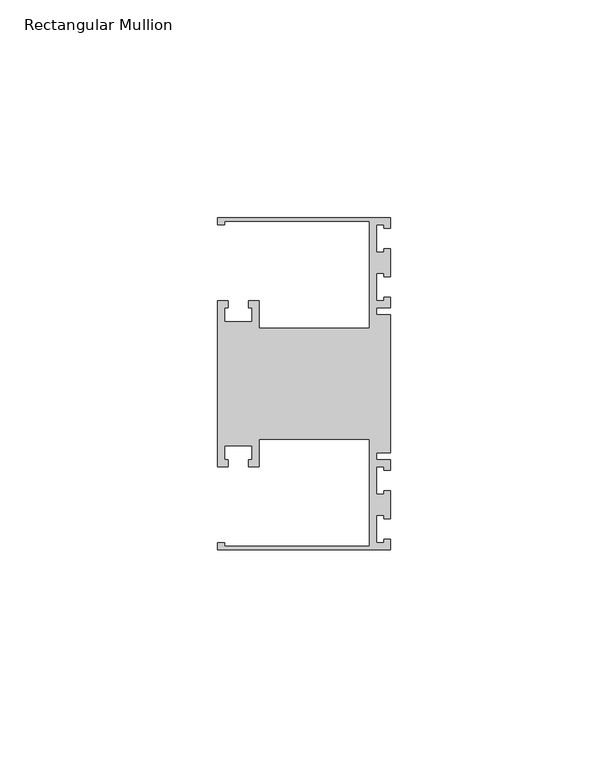
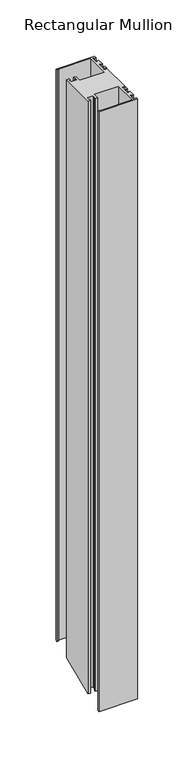
"""IFC4 building model written with IfcOpenShell, lengths in millimetres: member geometry, Rectangular Mullion."""

from ifc_helpers import new_model, si_unit, origin, place, context, project, spatial, faceted_brep, source, transform, mapped, element, save


def rectangular_mullion_1ae3758d(model_context):
    return source(origin(), model_context, "Body", "Brep", [
        faceted_brep([(0.0, 38.1, 0.0), (-39.6875, 38.1, 0.0), (-39.6875, 36.5125, 0.0), (-38.1, 36.5125, 0.0), (-38.1, 37.30625, 0.0), (-4.7625, 37.30625, 0.0), (-4.7625, 12.7, 0.0), (-30.1625, 12.7, 0.0), (-30.1625, 19.05, 0.0), (-32.54375, 19.05, 0.0), (-32.54375, 17.4625, 0.0), (-31.75, 17.4625, 0.0), (-31.75, 14.2875, 0.0), (-38.1, 14.2875, 0.0), (-38.1, 17.4625, 0.0), (-37.30625, 17.4625, 0.0), (-37.30625, 19.05, 0.0), (-39.6875, 19.05, 0.0), (-39.6875, -19.05, 0.0), (-37.30625, -19.05, 0.0), (-37.30625, -17.4625, 0.0), (-38.1, -17.4625, 0.0), (-38.1, -14.2875, 0.0), (-31.75, -14.2875, 0.0), (-31.75, -17.4625, 0.0), (-32.54375, -17.4625, 0.0), (-32.54375, -19.05, 0.0), (-30.1625, -19.05, 0.0), (-30.1625, -12.7, 0.0), (-4.7625, -12.7, 0.0), (-4.7625, -37.30625, 0.0), (-38.1, -37.30625, 0.0), (-38.1, -36.5125, 0.0), (-39.6875, -36.5125, 0.0), (-39.6875, -38.1, 0.0), (0.0, -38.1, 0.0), (0.0, -35.71875, 0.0), (-1.4999946, -35.71875, 0.0), (-1.4999946, -36.5125, 0.0), (-3.175, -36.5125, 0.0), (-3.175, -30.1625, 0.0), (-1.4999946, -30.1625, 0.0), (-1.4999946, -30.95625, 0.0), (0.0, -30.95625, 0.0), (0.0, -24.60625, 0.0), (-1.4999946, -24.60625, 0.0), (-1.4999946, -25.4, 0.0), (-3.175, -25.4, 0.0), (-3.175, -19.05, 0.0), (-1.4999946, -19.05, 0.0), (-1.4999946, -19.84375, 0.0), (0.0, -19.84375, 0.0), (0.0, -17.4625, 0.0), (-3.175, -17.4625, 0.0), (-3.175, -15.875, 0.0), (0.0, -15.875, 0.0), (0.0, 15.875, 0.0), (-3.175, 15.875, 0.0), (-3.175, 17.4625, 0.0), (0.0, 17.4625, 0.0), (0.0, 19.84375, 0.0), (-1.4999946, 19.84375, 0.0), (-1.4999946, 19.05, 0.0), (-3.175, 19.05, 0.0), (-3.175, 25.4, 0.0), (-1.4999946, 25.4, 0.0), (-1.4999946, 24.60625, 0.0), (0.0, 24.60625, 0.0), (0.0, 30.95625, 0.0), (-1.4999946, 30.95625, 0.0), (-1.4999946, 30.1625, 0.0), (-3.175, 30.1625, 0.0), (-3.175, 36.5125, 0.0), (-1.4999946, 36.5125, 0.0), (-1.4999946, 35.71875, 0.0), (0.0, 35.71875, 0.0), (0.0, 38.1, -619.2184633), (-39.6875, 38.1, -619.2184633), (-39.6875, 36.5125, -619.8760273), (-38.1, 36.5125, -619.8760273), (-38.1, 37.30625, -619.5472453), (-4.7625, 37.30625, -619.5472453), (-4.7625, 12.7, -629.7394878), (-30.1625, 12.7, -629.7394878), (-30.1625, 19.05, -627.1092316), (-32.54375, 19.05, -627.1092316), (-32.54375, 17.4625, -627.7667957), (-31.75, 17.4625, -627.7667957), (-31.75, 14.2875, -629.0819237), (-38.1, 14.2875, -629.0819237), (-38.1, 17.4625, -627.7667957), (-37.30625, 17.4625, -627.7667957), (-37.30625, 19.05, -627.1092316), (-39.6875, 19.05, -627.1092316), (-39.6875, -19.05, -642.8907684), (-37.30625, -19.05, -642.8907684), (-37.30625, -17.4625, -642.2332043), (-38.1, -17.4625, -642.2332043), (-38.1, -14.2875, -640.9180763), (-31.75, -14.2875, -640.9180763), (-31.75, -17.4625, -642.2332043), (-32.54375, -17.4625, -642.2332043), (-32.54375, -19.05, -642.8907684), (-30.1625, -19.05, -642.8907684), (-30.1625, -12.7, -640.2605122), (-4.7625, -12.7, -640.2605122), (-4.7625, -37.30625, -650.4527547), (-38.1, -37.30625, -650.4527547), (-38.1, -36.5125, -650.1239727), (-39.6875, -36.5125, -650.1239727), (-39.6875, -38.1, -650.7815367), (0.0, -38.1, -650.7815367), (0.0, -35.71875, -649.7951907), (-1.4999946, -35.71875, -649.7951907), (-1.4999946, -36.5125, -650.1239727), (-3.175, -36.5125, -650.1239727), (-3.175, -30.1625, -647.4937166), (-1.4999946, -30.1625, -647.4937166), (-1.4999946, -30.95625, -647.8224986), (0.0, -30.95625, -647.8224986), (0.0, -24.60625, -645.1922425), (-1.4999946, -24.60625, -645.1922425), (-1.4999946, -25.4, -645.5210245), (-3.175, -25.4, -645.5210245), (-3.175, -19.05, -642.8907684), (-1.4999946, -19.05, -642.8907684), (-1.4999946, -19.84375, -643.2195504), (0.0, -19.84375, -643.2195504), (0.0, -17.4625, -642.2332043), (-3.175, -17.4625, -642.2332043), (-3.175, -15.875, -641.5756403), (0.0, -15.875, -641.5756403), (0.0, 15.875, -628.4243597), (-3.175, 15.875, -628.4243597), (-3.175, 17.4625, -627.7667957), (0.0, 17.4625, -627.7667957), (0.0, 19.84375, -626.7804496), (-1.4999946, 19.84375, -626.7804496), (-1.4999946, 19.05, -627.1092316), (-3.175, 19.05, -627.1092316), (-3.175, 25.4, -624.4789755), (-1.4999946, 25.4, -624.4789755), (-1.4999946, 24.60625, -624.8077575), (0.0, 24.60625, -624.8077575), (0.0, 30.95625, -622.1775014), (-1.4999946, 30.95625, -622.1775014), (-1.4999946, 30.1625, -622.5062834), (-3.175, 30.1625, -622.5062834), (-3.175, 36.5125, -619.8760273), (-1.4999946, 36.5125, -619.8760273), (-1.4999946, 35.71875, -620.2048093), (0.0, 35.71875, -620.2048093)], [[[0, 1, 2, 3, 4, 5, 6, 7, 8, 9, 10, 11, 12, 13, 14, 15, 16, 17, 18, 19, 20, 21, 22, 23, 24, 25, 26, 27, 28, 29, 30, 31, 32, 33, 34, 35, 36, 37, 38, 39, 40, 41, 42, 43, 44, 45, 46, 47, 48, 49, 50, 51, 52, 53, 54, 55, 56, 57, 58, 59, 60, 61, 62, 63, 64, 65, 66, 67, 68, 69, 70, 71, 72, 73, 74, 75]], [[1, 0, 76, 77]], [[2, 1, 77, 78]], [[3, 2, 78, 79]], [[4, 3, 79, 80]], [[5, 4, 80, 81]], [[6, 5, 81, 82]], [[7, 6, 82, 83]], [[8, 7, 83, 84]], [[9, 8, 84, 85]], [[10, 9, 85, 86]], [[11, 10, 86, 87]], [[12, 11, 87, 88]], [[13, 12, 88, 89]], [[14, 13, 89, 90]], [[15, 14, 90, 91]], [[16, 15, 91, 92]], [[17, 16, 92, 93]], [[18, 17, 93, 94]], [[19, 18, 94, 95]], [[20, 19, 95, 96]], [[21, 20, 96, 97]], [[22, 21, 97, 98]], [[23, 22, 98, 99]], [[24, 23, 99, 100]], [[25, 24, 100, 101]], [[26, 25, 101, 102]], [[27, 26, 102, 103]], [[28, 27, 103, 104]], [[29, 28, 104, 105]], [[30, 29, 105, 106]], [[31, 30, 106, 107]], [[32, 31, 107, 108]], [[33, 32, 108, 109]], [[34, 33, 109, 110]], [[35, 34, 110, 111]], [[36, 35, 111, 112]], [[37, 36, 112, 113]], [[38, 37, 113, 114]], [[39, 38, 114, 115]], [[40, 39, 115, 116]], [[41, 40, 116, 117]], [[42, 41, 117, 118]], [[43, 42, 118, 119]], [[44, 43, 119, 120]], [[45, 44, 120, 121]], [[46, 45, 121, 122]], [[47, 46, 122, 123]], [[48, 47, 123, 124]], [[49, 48, 124, 125]], [[50, 49, 125, 126]], [[51, 50, 126, 127]], [[52, 51, 127, 128]], [[53, 52, 128, 129]], [[54, 53, 129, 130]], [[55, 54, 130, 131]], [[56, 55, 131, 132]], [[57, 56, 132, 133]], [[58, 57, 133, 134]], [[59, 58, 134, 135]], [[60, 59, 135, 136]], [[61, 60, 136, 137]], [[62, 61, 137, 138]], [[63, 62, 138, 139]], [[64, 63, 139, 140]], [[65, 64, 140, 141]], [[66, 65, 141, 142]], [[67, 66, 142, 143]], [[68, 67, 143, 144]], [[69, 68, 144, 145]], [[70, 69, 145, 146]], [[71, 70, 146, 147]], [[72, 71, 147, 148]], [[73, 72, 148, 149]], [[74, 73, 149, 150]], [[75, 74, 150, 151]], [[0, 75, 151, 76]], [[76, 151, 150, 149, 148, 147, 146, 145, 144, 143, 142, 141, 140, 139, 138, 137, 136, 135, 134, 133, 132, 131, 130, 129, 128, 127, 126, 125, 124, 123, 122, 121, 120, 119, 118, 117, 116, 115, 114, 113, 112, 111, 110, 109, 108, 107, 106, 105, 104, 103, 102, 101, 100, 99, 98, 97, 96, 95, 94, 93, 92, 91, 90, 89, 88, 87, 86, 85, 84, 83, 82, 81, 80, 79, 78, 77]]]),
    ])


if __name__ == "__main__":
    model = new_model("IFC4")
    model_context = context("Model", 3, world=origin())
    ifc_project = project(units=[si_unit("LENGTHUNIT", "METRE", prefix="MILLI")], contexts=[model_context])
    site = spatial("IfcSite", under=ifc_project)
    building = spatial("IfcBuilding", under=site)
    placement = place(None, origin())
    rectangular_mullion_shape = rectangular_mullion_1ae3758d(model_context)
    element("IfcMember", 1, ObjectType="Rectangular Mullion", at=placement, inside=building, context=model_context, shape_type="MappedRepresentation", body=[
        mapped(rectangular_mullion_shape, transform((0.0, 0.0, 0.0), x_axis=(1.0, 0.0, 0.0), y_axis=(0.0, 1.0, 0.0), z_axis=(0.0, 0.0, 1.0))),
    ])
    save(model, "model.ifc")
